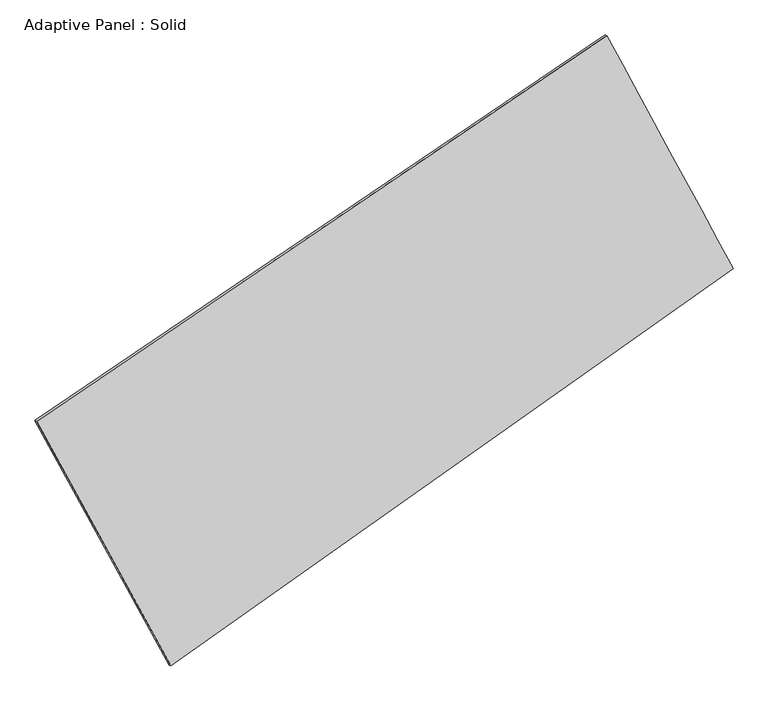
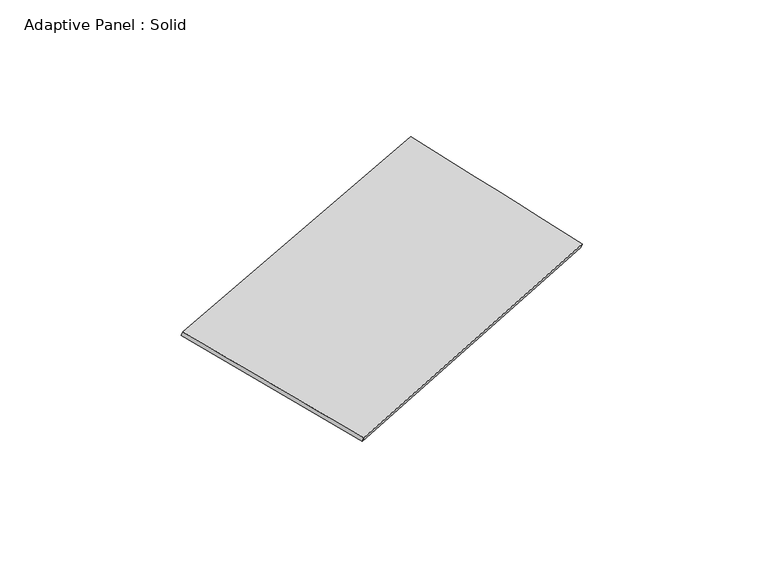
"""IFC4 building model written with IfcOpenShell, lengths in millimetres: plate geometry, Adaptive Panel : Solid."""

from ifc_helpers import new_model, si_unit, frame, origin, place, context, project, spatial, source, transform, mapped, element, save
from ifc_brep_helpers import plane_surface, spline_surface, advanced_brep


def adaptive_panel_solid_bfe45af2(model_context):
    return source(origin(), model_context, "Body", "AdvancedBrep", [
        advanced_brep(
        [(1205.5140454, 2535.6046399, 674.7683731), (-3605.8439236, -720.5467619, 1680.3051637), (-3591.1775678, -726.9268554, 1727.6780717), (1220.1804012, 2529.2245464, 722.1412812), (-2473.3059999, -2785.4768378, 1096.0892298), (-2458.6396441, -2791.8569313, 1143.4621378), (2270.3453, 570.170387, 33.9597536), (2285.0116558, 563.7902936, 81.3326616)],
        [
            (0, 1),
            (1, 2),
            (2, 3),
            (3, 0),
            (1, 4),
            (4, 5),
            (5, 2),
            (4, 6),
            (6, 7),
            (7, 5),
            (6, 0),
            (3, 7),
        ],
        [
            plane_surface(frame((-1200.1649391, 907.528939, 1177.5367684), z_axis=(-0.501499135706987, 0.8232094636724785, 0.2661292840053792), x_axis=(-0.8160379326641095, -0.5522646777729069, 0.1705456482519378))),
            plane_surface(frame((-3039.5749618, -1753.0117999, 1388.1971968), z_axis=(-0.8371281310060422, -0.5129150276387779, 0.1900912062685773), x_axis=(0.466737863795244, -0.8509922999863392, -0.24076517992395172))),
            plane_surface(frame((-101.48035, -1107.6532254, 565.0244917), z_axis=(0.5153158817810496, -0.8136488008788737, -0.2691192501709797), x_axis=(0.8030781734277274, 0.568095518338544, -0.17981359628138815))),
            plane_surface(frame((1737.9296727, 1552.8875135, 354.3640633), z_axis=(0.8361110264499386, 0.5147801247168138, -0.18952512932424578), x_axis=(-0.4579153614121223, 0.8452067238905088, 0.2755705275842812))),
            spline_surface(1, 1, [[(-3591.1775678, -726.9268554, 1727.6780717), (1220.1804012, 2529.2245464, 722.1412812)], [(-2458.6396441, -2791.8569313, 1143.4621378), (2285.0116558, 563.7902936, 81.3326616)]], [2, 2], [2, 2], [0.0, 1.0], [0.0, 1.0]),
            spline_surface(1, 1, [[(2270.3453, 570.170387, 33.9597536), (1205.5140454, 2535.6046399, 674.7683731)], [(-2473.3059999, -2785.4768378, 1096.0892298), (-3605.8439236, -720.5467619, 1680.3051637)]], [2, 2], [2, 2], [0.0, 1.0], [0.0, 1.0]),
        ],
        [
            (0, [[1, 2, 3, 4]]),
            (1, [[5, 6, 7, -2]]),
            (2, [[8, 9, 10, -6]]),
            (3, [[11, -4, 12, -9]]),
            (4, [[-3, -7, -10, -12]]),
            (5, [[-11, -8, -5, -1]]),
        ],
    ),
    ])


if __name__ == "__main__":
    model = new_model("IFC4")
    model_context = context("Model", 3, world=origin())
    ifc_project = project(units=[si_unit("LENGTHUNIT", "METRE", prefix="MILLI")], contexts=[model_context])
    site = spatial("IfcSite", under=ifc_project)
    building = spatial("IfcBuilding", under=site)
    placement = place(None, origin())
    adaptive_panel_solid_shape = adaptive_panel_solid_bfe45af2(model_context)
    element("IfcPlate", 1, ObjectType="Adaptive Panel : Solid", at=placement, inside=building, context=model_context, shape_type="MappedRepresentation", body=[
        mapped(adaptive_panel_solid_shape, transform((0.0, 0.0, 0.0), x_axis=(1.0, 0.0, 0.0), y_axis=(0.0, 1.0, 0.0), z_axis=(0.0, 0.0, 1.0))),
    ])
    save(model, "model.ifc")
